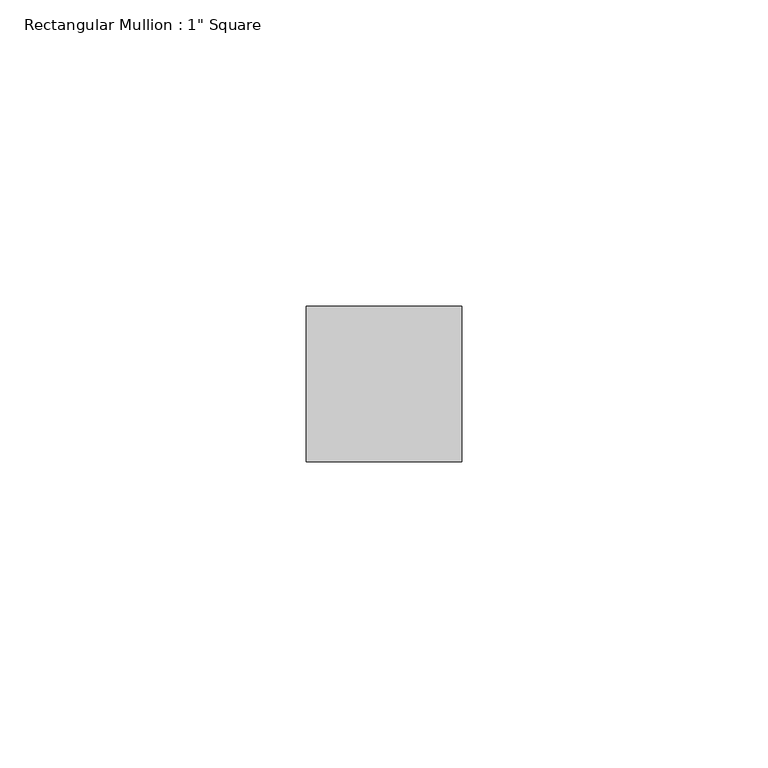
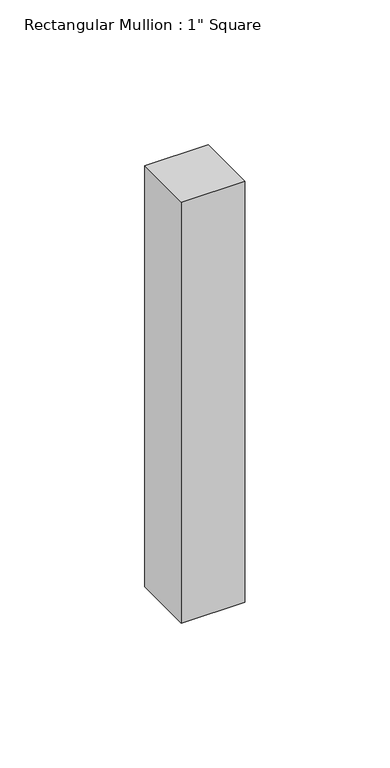
"""IFC4 building model written with IfcOpenShell, lengths in millimetres: member geometry."""

from ifc_helpers import new_model, si_unit, frame, origin, place, context, project, spatial, polyline, outline, extrude, source, transform, mapped, element, save


def member_fda38710(model_context):
    return source(origin(), model_context, "Body", "SweptSolid", [
        extrude(outline(polyline([(0.0, 12.7), (0.0, -12.7), (-25.4, -12.7), (-25.4, 12.7), (0.0, 12.7)])), frame((0.0, 0.0, -177.8), z_axis=(0.0, 0.0, 1.0), x_axis=(1.0, 0.0, 0.0)), (0.0, 0.0, 1.0), 177.8),
    ])


if __name__ == "__main__":
    model = new_model("IFC4")
    model_context = context("Model", 3, world=origin())
    ifc_project = project(units=[si_unit("LENGTHUNIT", "METRE", prefix="MILLI")], contexts=[model_context])
    site = spatial("IfcSite", under=ifc_project)
    building = spatial("IfcBuilding", under=site)
    placement = place(None, origin())
    member_shape = member_fda38710(model_context)
    element("IfcMember", 1, ObjectType="Rectangular Mullion : 1\" Square", at=placement, inside=building, context=model_context, shape_type="MappedRepresentation", body=[
        mapped(member_shape, transform((0.0, 0.0, 0.0), x_axis=(1.0, 0.0, 0.0), y_axis=(0.0, 1.0, 0.0), z_axis=(0.0, 0.0, 1.0))),
    ])
    save(model, "model.ifc")
